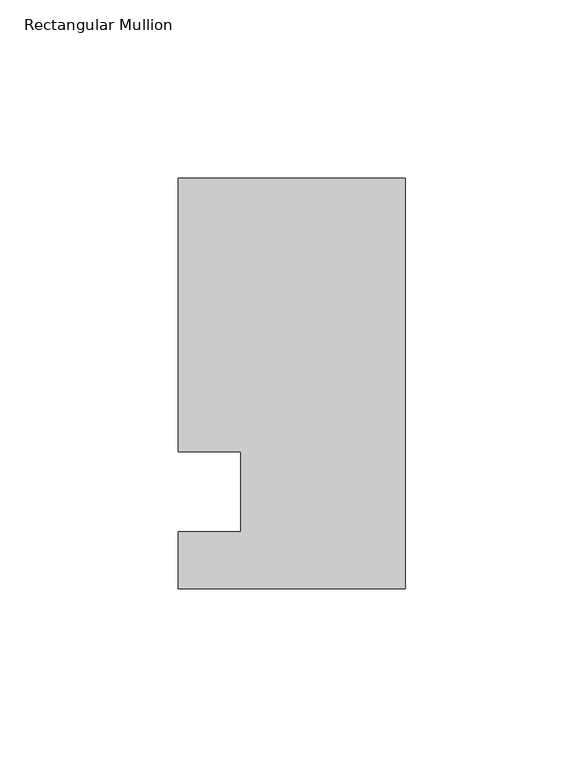
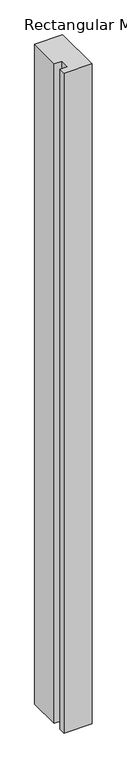
"""IFC4 building model written with IfcOpenShell, lengths in millimetres: member geometry, Rectangular Mullion."""

from ifc_helpers import new_model, si_unit, frame, origin, place, context, project, spatial, polyline, outline, extrude, source, transform, mapped, element, save


def rectangular_mullion_e93f7c94(model_context):
    return source(origin(), model_context, "Body", "SweptSolid", [
        extrude(outline(polyline([(-63.5, 114.5309813), (0.0, 114.5309813), (0.0, -0.3532188), (-63.5, -0.3532188), (-63.5, 15.5217812), (-46.0375, 15.5217812), (-46.0375, 38.0007812), (-63.5, 38.0007812), (-63.5, 114.5309813)])), frame((0.0, 0.0, -1581.2163745), z_axis=(0.0, 0.0, 1.0), x_axis=(1.0, 0.0, 0.0)), (0.0, 0.0, 1.0), 1581.2163745),
    ])


if __name__ == "__main__":
    model = new_model("IFC4")
    model_context = context("Model", 3, world=origin())
    ifc_project = project(units=[si_unit("LENGTHUNIT", "METRE", prefix="MILLI")], contexts=[model_context])
    site = spatial("IfcSite", under=ifc_project)
    building = spatial("IfcBuilding", under=site)
    placement = place(None, origin())
    rectangular_mullion_shape = rectangular_mullion_e93f7c94(model_context)
    element("IfcMember", 1, ObjectType="Rectangular Mullion", at=placement, inside=building, context=model_context, shape_type="MappedRepresentation", body=[
        mapped(rectangular_mullion_shape, transform((0.0, 0.0, 0.0), x_axis=(1.0, 0.0, 0.0), y_axis=(0.0, 1.0, 0.0), z_axis=(0.0, 0.0, 1.0))),
    ])
    save(model, "model.ifc")
